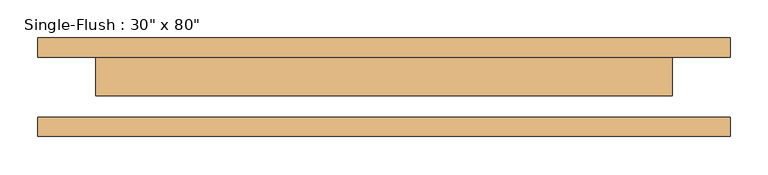
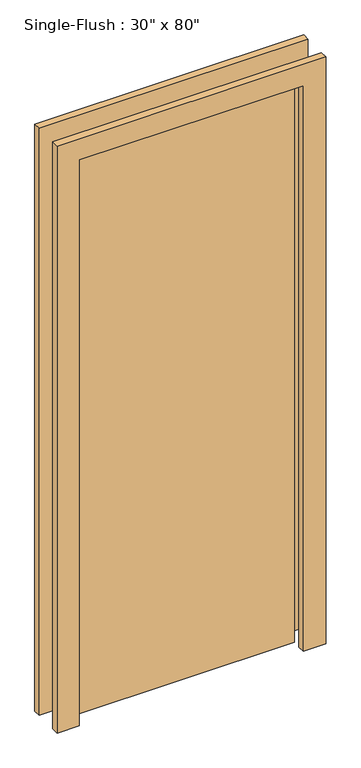
"""IFC4 building model written with IfcOpenShell, lengths in millimetres: door geometry."""

from ifc_helpers import new_model, si_unit, frame, origin, origin_with_axes, place, context, project, spatial, polyline, outline, extrude, source, transform, mapped, element, save


def door_1f76f418(model_context):
    return source(origin(), model_context, "Body", "SweptSolid", [
        extrude(outline(polyline([(2108.2, -457.2), (0.0, -457.2), (0.0, -381.0), (2032.0, -381.0), (2032.0, 381.0), (0.0, 381.0), (0.0, 457.2), (2108.2, 457.2), (2108.2, -457.2)])), frame((0.0, 39.6875, 0.0), z_axis=(0.0, 1.0, 0.0), x_axis=(0.0, 0.0, 1.0)), (0.0, 0.0, 1.0), 25.4),
        extrude(outline(polyline([(2108.2, 457.2), (2108.2, -457.2), (0.0, -457.2), (0.0, -381.0), (2032.0, -381.0), (2032.0, 381.0), (0.0, 381.0), (0.0, 457.2), (2108.2, 457.2)])), frame((0.0, -65.0875, 0.0), z_axis=(0.0, 1.0, 0.0), x_axis=(0.0, 0.0, 1.0)), (0.0, 0.0, 1.0), 25.4),
        extrude(outline(polyline([(381.0, -11.1125), (-381.0, -11.1125), (-381.0, 39.6875), (381.0, 39.6875), (381.0, -11.1125)])), origin_with_axes(), (0.0, 0.0, 1.0), 2032.0),
    ])


if __name__ == "__main__":
    model = new_model("IFC4")
    model_context = context("Model", 3, world=origin())
    ifc_project = project(units=[si_unit("LENGTHUNIT", "METRE", prefix="MILLI")], contexts=[model_context])
    site = spatial("IfcSite", under=ifc_project)
    building = spatial("IfcBuilding", under=site)
    placement = place(None, origin())
    door_shape = door_1f76f418(model_context)
    element("IfcDoor", 1, ObjectType="Single-Flush : 30\" x 80\"", at=placement, inside=building, context=model_context, shape_type="MappedRepresentation", body=[
        mapped(door_shape, transform((0.0, 0.0, 0.0), x_axis=(1.0, 0.0, 0.0), y_axis=(0.0, 1.0, 0.0), z_axis=(0.0, 0.0, 1.0))),
    ])
    save(model, "model.ifc")
